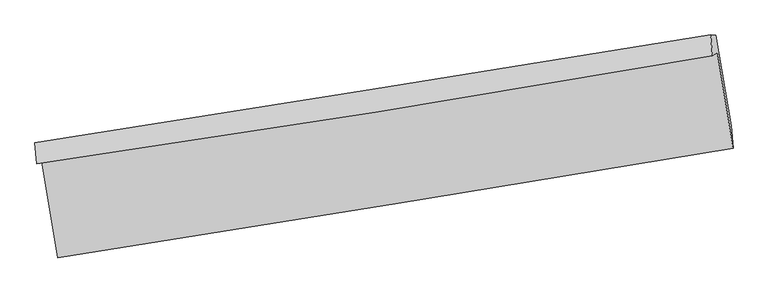
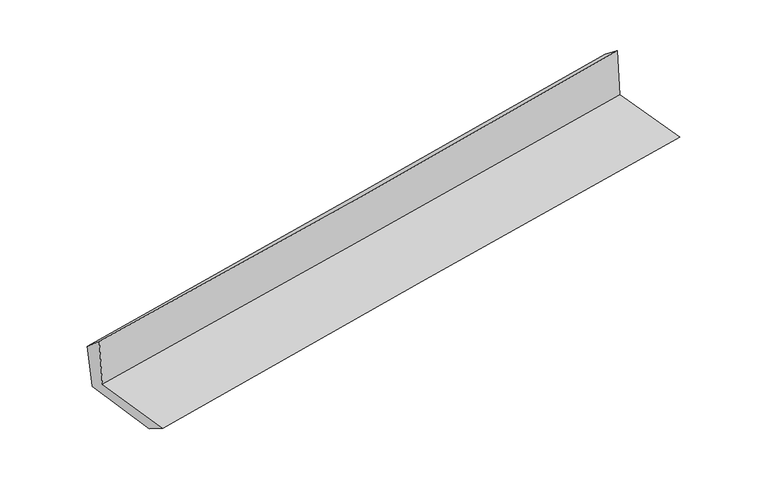
"""IFC4 building model written with IfcOpenShell, lengths in millimetres: proxy geometry."""

from ifc_helpers import new_model, si_unit, frame, origin, place, context, project, spatial, source, transform, mapped, element, save
from ifc_brep_helpers import plane_surface, spline_curve, spline_surface, advanced_brep


def generic_models_0aff40d2(model_context):
    return source(origin(), model_context, "Body", "AdvancedBrep", [
        advanced_brep(
        [(-2378.8854164, -1872.0843057, 1678.603186), (-2266.1349599, -2540.6739399, 1661.7213893), (2435.4399311, -1778.1770049, 2091.9369953), (2326.19711, -1113.9616094, 2097.7297045), (-2412.8789894, -1887.7821829, 2073.2677573), (2291.8275727, -1135.1385706, 2506.1317835), (-2425.4816407, -1740.9610403, 1945.8967482), (2278.5292321, -990.1908478, 2393.6137245), (-2391.2651482, -1746.3420577, 1586.6234429), (2314.4407372, -993.6426122, 2012.0761526), (-2284.0547081, -2376.8661597, 1561.2219139), (2422.3530376, -1624.0174694, 1960.8630656)],
        [
            (0, 1),
            (1, 2, spline_curve(3, [(-2266.1349599, -2540.6739399, 1661.7213893), (-1482.608074692, -2418.177162332, 1742.367520583), (-699.044873352, -2293.387051342, 1818.542034991), (868.146757608, -2039.221362855, 1961.947152496), (1651.775186557, -1909.845829064, 2029.177840094), (2435.4399311, -1778.1770049, 2091.9369953)], [4, 2, 4], [0.0, 7.846631457082978, 15.693188772226303])),
            (2, 3),
            (3, 0, spline_curve(3, [(2326.19711, -1113.9616094, 2097.7297045), (1542.310891669, -1239.482947276, 2023.28162362), (758.279425083, -1365.420207043, 1951.130527659), (-810.081414351, -1618.127764465, 1811.421644691), (-1594.410789936, -1744.898070185, 1743.863901261), (-2378.8854164, -1872.0843057, 1678.603186)], [4, 2, 4], [0.0, 7.846557315143325, 15.693188772226303])),
            (4, 0),
            (3, 5),
            (5, 4, spline_curve(3, [(2291.8275727, -1135.1385706, 2506.1317835), (1509.791868727, -1271.139839544, 2430.407513167), (726.716993947, -1401.86050372, 2356.473537996), (-841.518507222, -1652.741807761, 2212.18549552), (-1626.679152946, -1772.902347528, 2141.831462125), (-2412.8789894, -1887.7821829, 2073.2677573)], [4, 2, 4], [0.0, 7.8480569949537236, 15.69618814601754])),
            (6, 4),
            (5, 7),
            (7, 6, spline_curve(3, [(2278.5292321, -990.1908478, 2393.6137245), (1494.949109144, -1116.856715485, 2317.273022808), (711.159994261, -1242.7535403, 2241.793096201), (-856.843625841, -1493.01028543, 2092.554087924), (-1641.05813568, -1617.370191777, 2018.795022297), (-2425.4816407, -1740.9610403, 1945.8967482)], [4, 2, 4], [0.0, 7.8483720612667085, 15.696818281620565])),
            (8, 6),
            (7, 9),
            (9, 8, spline_curve(3, [(2314.4407372, -993.6426122, 2012.0761526), (1530.559232533, -1120.084109279, 1938.673231278), (746.47817671, -1246.029517606, 1866.51753999), (-822.090448159, -1496.929342162, 1724.699946397), (-1606.578020564, -1621.883749017, 1655.038068055), (-2391.2651482, -1746.3420577, 1586.6234429)], [4, 2, 4], [0.0, 7.848555396927314, 15.69718495467411])),
            (10, 8),
            (9, 11),
            (11, 10, spline_curve(3, [(2422.3530376, -1624.0174694, 1960.8630656), (1636.556817186, -1747.980591686, 1906.703806128), (851.459911336, -1872.699243541, 1846.320933822), (-717.342683891, -2123.648792662, 1713.107334415), (-1501.048359844, -2249.8797042, 1640.27648942), (-2284.0547081, -2376.8661597, 1561.2219139)], [4, 2, 4], [0.0, 7.847293863067738, 15.694661875034754])),
            (1, 10),
            (11, 2),
        ],
        [
            spline_surface(3, 3, [[(-2378.8854164, -1872.0843057, 1678.603186), (-1594.410789882, -1744.89807013, 1743.86390131), (-810.081414318, -1618.127764557, 1811.421644716), (758.27942505, -1365.420206952, 1951.130527634), (1542.31089166, -1239.482947155, 2023.28162371), (2326.19711, -1113.9616094, 2097.7297045)], [(-2341.301930901, -2094.9475171, 1672.975920448), (-1557.143218174, -1969.324434195, 1743.365107754), (-773.069233996, -1843.214193484, 1813.79510816), (794.901869254, -1590.020592297, 1954.736069267), (1578.798989987, -1462.937241122, 2025.247029171), (2362.611383713, -1335.366741252, 2095.79880143)], [(-2303.718445399, -2317.8107285, 1667.348654852), (-1519.875646464, -2193.750798259, 1742.866314152), (-736.0570537, -2068.300622347, 1816.168571556), (831.524313431, -1814.620977578, 1958.341610853), (1615.287088276, -1686.391535032, 2027.212434642), (2399.025657387, -1556.771873048, 2093.86789837)], [(-2266.1349599, -2540.6739399, 1661.7213893), (-1482.608074756, -2418.177162324, 1742.367520596), (-699.044873379, -2293.387051275, 1818.542035), (868.146757635, -2039.221362923, 1961.947152487), (1651.775186603, -1909.845828998, 2029.177840103), (2435.4399311, -1778.1770049, 2091.9369953)]], [4, 4], [4, 2, 4], [0.0, 2.24269128481009], [0.0, 7.846631457082978, 15.693188772226303]),
            spline_surface(3, 3, [[(-2412.8789894, -1887.7821829, 2073.2677573), (-1626.67915298, -1772.902347634, 2141.831461997), (-841.518507169, -1652.741807672, 2212.185495473), (726.716993893, -1401.860503808, 2356.473538043), (1509.791868781, -1271.139839612, 2430.407513292), (2291.8275727, -1135.1385706, 2506.1317835)], [(-2401.547798394, -1882.549557196, 1941.712900186), (-1615.923031941, -1763.567588496, 2009.175608421), (-831.039476206, -1641.203793286, 2078.597545225), (737.237804292, -1389.713738174, 2221.359201245), (1520.631543059, -1260.587542095, 2294.698883423), (2303.284085118, -1128.079583502, 2369.997757157)], [(-2390.216607406, -1877.316931404, 1810.158043114), (-1605.16691092, -1754.232829269, 1876.519754886), (-820.560445281, -1629.665778943, 1945.009594964), (747.758614652, -1377.566972585, 2086.244864432), (1531.471217382, -1250.035244672, 2158.99025358), (2314.740597582, -1121.020596498, 2233.863730843)], [(-2378.8854164, -1872.0843057, 1678.603186), (-1594.410789882, -1744.89807013, 1743.86390131), (-810.081414318, -1618.127764557, 1811.421644716), (758.27942505, -1365.420206952, 1951.130527634), (1542.31089166, -1239.482947155, 2023.28162371), (2326.19711, -1113.9616094, 2097.7297045)]], [4, 4], [4, 2, 4], [0.0, 1.3314975141748087], [0.0, 7.848131151063817, 15.69618814601754]),
            spline_surface(3, 3, [[(-2425.4816407, -1740.9610403, 1945.8967482), (-1641.058135552, -1617.37019173, 2018.795022366), (-856.843625946, -1493.010285547, 2092.554087876), (711.159994366, -1242.753540182, 2241.793096249), (1494.949109036, -1116.856715528, 2317.273022827), (2278.5292321, -990.1908478, 2393.6137245)], [(-2421.280756919, -1789.901421159, 1988.35375123), (-1636.265141347, -1669.21424369, 2059.807168907), (-851.735253041, -1546.254126271, 2132.431223739), (716.345660854, -1295.789194739, 2280.019910178), (1499.896695638, -1168.284423575, 2354.984519643), (2282.96201232, -1038.506755419, 2431.119744161)], [(-2417.079873181, -1838.841802041, 2030.81075427), (-1631.472147186, -1721.058295674, 2100.819315456), (-846.626880074, -1599.497966949, 2172.30835961), (721.531327405, -1348.824849251, 2318.246724115), (1504.844282179, -1219.712131565, 2392.696016476), (2287.39479248, -1086.822662981, 2468.625763839)], [(-2412.8789894, -1887.7821829, 2073.2677573), (-1626.67915298, -1772.902347634, 2141.831461997), (-841.518507169, -1652.741807672, 2212.185495473), (726.716993893, -1401.860503808, 2356.473538043), (1509.791868781, -1271.139839612, 2430.407513292), (2291.8275727, -1135.1385706, 2506.1317835)]], [4, 4], [4, 2, 4], [0.0, 0.6510499084118472], [0.0, 7.848446220353857, 15.696818281620565]),
            spline_surface(3, 3, [[(-2391.2651482, -1746.3420577, 1586.6234429), (-1606.578020681, -1621.88374898, 1655.038068013), (-822.090448082, -1496.929342141, 1724.69994645), (746.478176633, -1246.029517626, 1866.517539938), (1530.559232461, -1120.084109245, 1938.673231366), (2314.4407372, -993.6426122, 2012.0761526)], [(-2402.670645699, -1744.54838524, 1706.381211351), (-1618.071392304, -1620.379229904, 1776.290386148), (-833.67484069, -1495.622989939, 1847.31799359), (734.705449225, -1244.937525141, 1991.609392039), (1518.689191296, -1119.008311322, 2064.873161859), (2302.470235476, -992.492024049, 2139.25534324)], [(-2414.076143201, -1742.75471276, 1826.138979749), (-1629.564763929, -1618.874710806, 1897.542704231), (-845.259233339, -1494.316637749, 1969.936040736), (722.932721774, -1243.845532668, 2116.701244148), (1506.819150202, -1117.932513451, 2191.073092333), (2290.499733824, -991.341435951, 2266.43453386)], [(-2425.4816407, -1740.9610403, 1945.8967482), (-1641.058135552, -1617.37019173, 2018.795022366), (-856.843625946, -1493.010285547, 2092.554087876), (711.159994366, -1242.753540182, 2241.793096249), (1494.949109036, -1116.856715528, 2317.273022827), (2278.5292321, -990.1908478, 2393.6137245)]], [4, 4], [4, 2, 4], [0.0, 1.2245088356522045], [0.0, 7.848629557746796, 15.69718495467411]),
            spline_surface(3, 3, [[(-2284.0547081, -2376.8661597, 1561.2219139), (-1501.048359752, -2249.879704172, 1640.276489335), (-717.342683833, -2123.648792673, 1713.107334296), (851.459911278, -1872.69924353, 1846.320933941), (1636.556817269, -1747.980591571, 1906.703806163), (2422.3530376, -1624.0174694, 1960.8630656)], [(-2319.791521484, -2166.691459022, 1569.689090235), (-1536.224913413, -2040.547719096, 1645.197015562), (-752.258605257, -1914.742309138, 1716.971538344), (816.465999722, -1663.80933487, 1853.053135936), (1601.224289007, -1538.681764132, 1917.360281224), (2386.382270807, -1413.892517003, 1977.934094594)], [(-2355.528334816, -1956.516758378, 1578.156266565), (-1571.401467021, -1831.215734056, 1650.117541786), (-787.174526658, -1705.835825677, 1720.835742402), (781.472088189, -1454.919426286, 1859.785337942), (1565.891760723, -1329.382936684, 1928.016756304), (2350.411503993, -1203.767564597, 1995.005123606)], [(-2391.2651482, -1746.3420577, 1586.6234429), (-1606.578020681, -1621.88374898, 1655.038068013), (-822.090448082, -1496.929342141, 1724.69994645), (746.478176633, -1246.029517626, 1866.517539938), (1530.559232461, -1120.084109245, 1938.673231366), (2314.4407372, -993.6426122, 2012.0761526)]], [4, 4], [4, 2, 4], [0.0, 2.085322484478916], [0.0, 7.847368011967016, 15.694661875034754]),
            spline_surface(3, 3, [[(-2266.1349599, -2540.6739399, 1661.7213893), (-1482.608074756, -2418.177162324, 1742.367520596), (-699.044873379, -2293.387051275, 1818.542035), (868.146757635, -2039.221362923, 1961.947152487), (1651.775186603, -1909.845828998, 2029.177840103), (2435.4399311, -1778.1770049, 2091.9369953)], [(-2272.108209303, -2486.071346483, 1628.221564149), (-1488.754836424, -2362.078009589, 1708.337176825), (-705.144143537, -2236.807631748, 1783.397134753), (862.584475509, -1983.713989799, 1923.405079626), (1646.702396823, -1855.890749864, 1988.353162141), (2431.077633265, -1726.790493074, 2048.245685418)], [(-2278.081458697, -2431.468753117, 1594.721739051), (-1494.901598084, -2305.978856906, 1674.306833106), (-711.243413674, -2180.228212199, 1748.252234543), (857.022193404, -1928.206616653, 1884.863006802), (1641.629607049, -1801.935670706, 1947.528484125), (2426.715335435, -1675.403981226, 2004.554375482)], [(-2284.0547081, -2376.8661597, 1561.2219139), (-1501.048359752, -2249.879704172, 1640.276489335), (-717.342683833, -2123.648792673, 1713.107334296), (851.459911278, -1872.69924353, 1846.320933941), (1636.556817269, -1747.980591571, 1906.703806163), (2422.3530376, -1624.0174694, 1960.8630656)]], [4, 4], [4, 2, 4], [0.0, 0.6626217984393834], [0.0, 7.845809734141239, 15.691545334107193]),
            plane_surface(frame((2344.7979368, -1272.5213524, 2177.058571), z_axis=(0.9827718844228375, 0.16084145055517374, 0.09104642206749763), x_axis=(-0.09370513904413061, 0.009006809001742637, 0.9955592520329096))),
            plane_surface(frame((-2359.7834771, -2027.4516144, 1751.2224063), z_axis=(-0.9823500777142362, -0.16336225930558668, -0.09111035643333032), x_axis=(-0.16623971515274721, 0.9857711782029861, 0.02489058718130773))),
        ],
        [
            (0, [[1, 2, 3, 4]]),
            (1, [[5, -4, 6, 7]]),
            (2, [[8, -7, 9, 10]]),
            (3, [[11, -10, 12, 13]]),
            (4, [[14, -13, 15, 16]]),
            (5, [[17, -16, 18, -2]]),
            (6, [[-12, -9, -6, -3, -18, -15]]),
            (7, [[-1, -5, -8, -11, -14, -17]]),
        ],
    ),
    ])


if __name__ == "__main__":
    model = new_model("IFC4")
    model_context = context("Model", 3, world=origin())
    ifc_project = project(units=[si_unit("LENGTHUNIT", "METRE", prefix="MILLI")], contexts=[model_context])
    site = spatial("IfcSite", under=ifc_project)
    building = spatial("IfcBuilding", under=site)
    placement = place(None, origin())
    generic_models_shape = generic_models_0aff40d2(model_context)
    element("IfcBuildingElementProxy", 1, Name="Generic Models", at=placement, inside=building, context=model_context, shape_type="MappedRepresentation", body=[
        mapped(generic_models_shape, transform((0.0, 0.0, 0.0), x_axis=(1.0, 0.0, 0.0), y_axis=(0.0, 1.0, 0.0), z_axis=(0.0, 0.0, 1.0))),
    ])
    save(model, "model.ifc")
